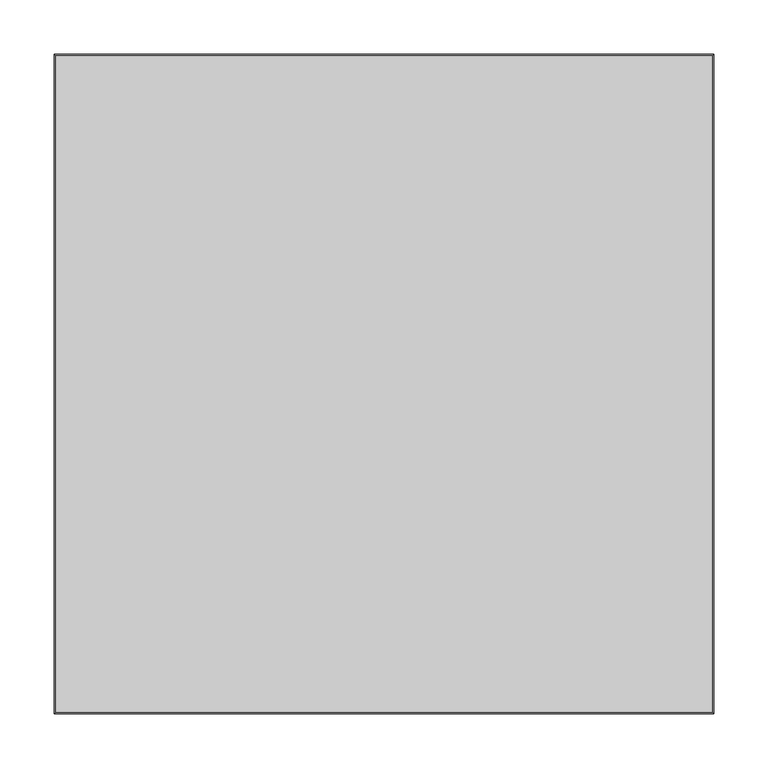
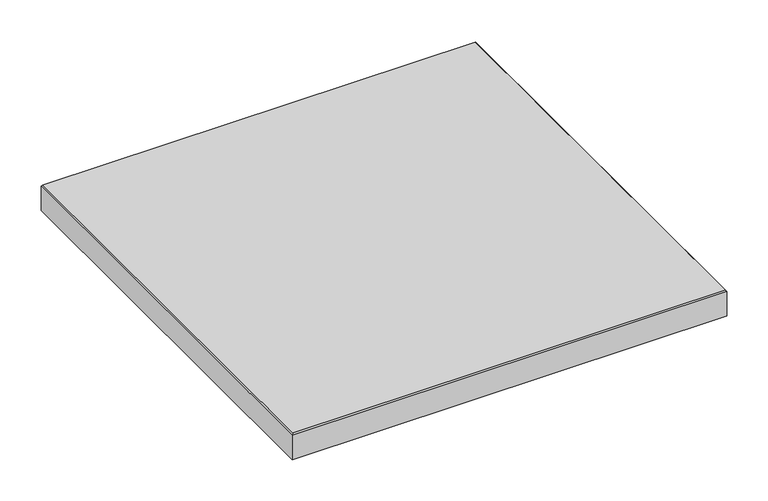
"""IFC4 building model written with IfcOpenShell, lengths in millimetres: proxy geometry."""

from ifc_helpers import new_model, si_unit, origin, place, context, project, spatial, faceted_brep, source, transform, mapped, element, save


def generic_models_b813cc03(model_context):
    return source(origin(), model_context, "Body", "Brep", [
        faceted_brep([(304.8, 304.8, -38.1), (304.8, -304.8, -38.1), (-304.8, -304.8, -38.1), (-304.8, 304.8, -38.1), (-304.8, 304.8, -1.5875), (304.8, 304.8, -1.5875), (-304.8, -304.8, -1.5875), (304.8, -304.8, -1.5875), (303.2125, 303.2125, 0.0), (-303.2125, 303.2125, 0.0), (-303.2125, -303.2125, 0.0), (303.2125, -303.2125, 0.0)], [[[0, 1, 2, 3]], [[0, 3, 4, 5]], [[3, 2, 6, 4]], [[2, 1, 7, 6]], [[1, 0, 5, 7]], [[8, 9, 10, 11]], [[9, 8, 5, 4]], [[10, 9, 4, 6]], [[11, 10, 6, 7]], [[8, 11, 7, 5]]]),
    ])


if __name__ == "__main__":
    model = new_model("IFC4")
    model_context = context("Model", 3, world=origin())
    ifc_project = project(units=[si_unit("LENGTHUNIT", "METRE", prefix="MILLI")], contexts=[model_context])
    site = spatial("IfcSite", under=ifc_project)
    building = spatial("IfcBuilding", under=site)
    placement = place(None, origin())
    generic_models_shape = generic_models_b813cc03(model_context)
    element("IfcBuildingElementProxy", 1, Name="Generic Models", at=placement, inside=building, context=model_context, shape_type="MappedRepresentation", body=[
        mapped(generic_models_shape, transform((0.0, 0.0, 0.0), x_axis=(1.0, 0.0, 0.0), y_axis=(0.0, 1.0, 0.0), z_axis=(0.0, 0.0, 1.0))),
    ])
    save(model, "model.ifc")
